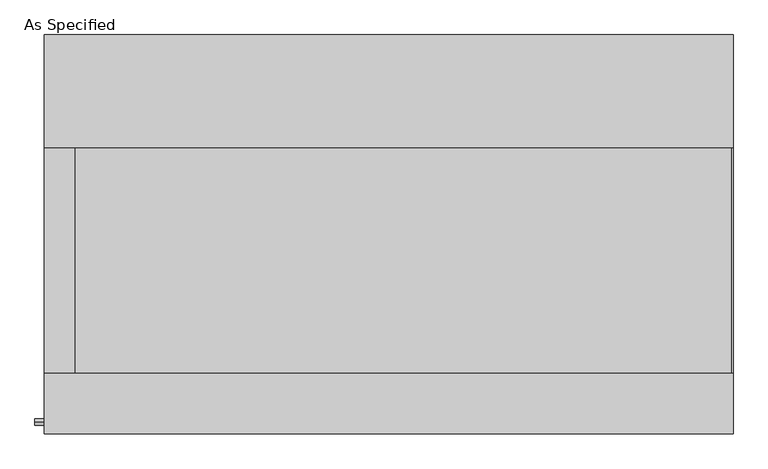
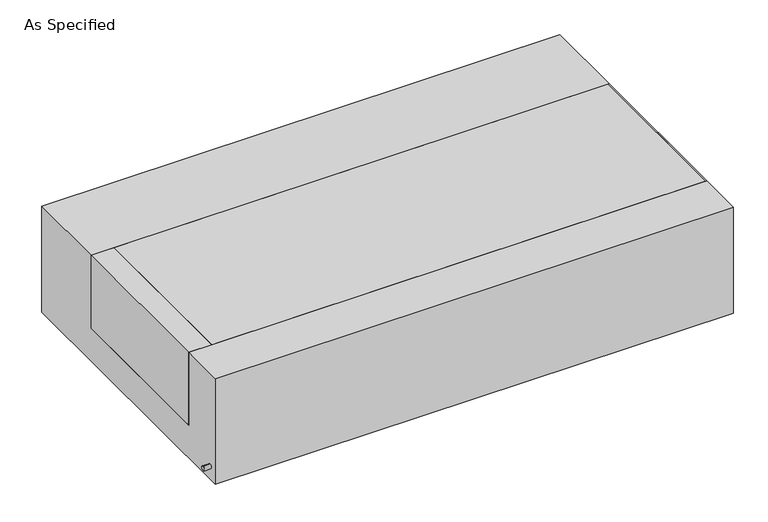
"""IFC4 building model written with IfcOpenShell, lengths in millimetres: proxy geometry, As Specified."""

from ifc_helpers import new_model, si_unit, point, frame, frame_2d, origin, place, context, project, spatial, polyline, circle_curve, trimmed, segment, composite_curve, outline, extrude, source, transform, mapped, element, save


def as_specified_1839fbb6(model_context):
    return source(origin(), model_context, "Body", "SweptSolid", [
        extrude(outline(composite_curve([segment(trimmed(circle_curve(frame_2d((-636.5875, -466.725)), 10.5), [point((-636.5875, -456.225))], [point((-636.5875, -477.225))], False, "CARTESIAN"), True, "CONTINUOUS"), segment(trimmed(circle_curve(frame_2d((-636.5875, -466.725)), 10.5), [point((-636.5875, -477.225))], [point((-636.5875, -456.225))], False, "CARTESIAN"), True, "CONTINUOUS")], self_intersect=False)), frame((-1198.6528384, 0.0, 0.0), z_axis=(1.0, 0.0, 0.0), x_axis=(0.0, 1.0, 0.0)), (0.0, 0.0, 1.0), 31.8403384),
        extrude(outline(polyline([(-1064.41875, 292.1), (-1064.41875, -469.9), (-1166.8125, -469.9), (-1166.8125, 292.1), (-1064.41875, 292.1)])), frame((0.0, 0.0, -373.0625), z_axis=(0.0, 0.0, 1.0), x_axis=(1.0, 0.0, 0.0)), (0.0, 0.0, 1.0), 347.6625),
        extrude(outline(polyline([(1162.84375, 292.1), (1166.8125, 292.1), (1166.8125, -469.9), (1162.84375, -469.9), (1162.84375, 292.1)])), frame((0.0, 0.0, -39.6875), z_axis=(0.0, 0.0, 1.0), x_axis=(1.0, 0.0, 0.0)), (0.0, 0.0, 1.0), 14.2875),
        extrude(outline(polyline([(1166.8125, 292.1), (1166.8125, -469.9), (-1064.41875, -469.9), (-1064.41875, 292.1), (1166.8125, 292.1)])), frame((0.0, 0.0, -373.0625), z_axis=(0.0, 0.0, 1.0), x_axis=(1.0, 0.0, 0.0)), (0.0, 0.0, 1.0), 347.6625),
        extrude(outline(polyline([(676.275, -25.4), (676.275, -530.225), (-676.275, -530.225), (-676.275, -25.4), (-469.9, -25.4), (-469.9, -373.0625), (292.1, -373.0625), (292.1, -25.4), (676.275, -25.4)])), frame((-1166.8125, 0.0, 0.0), z_axis=(1.0, 0.0, 0.0), x_axis=(0.0, 1.0, 0.0)), (0.0, 0.0, 1.0), 2333.625),
    ])


if __name__ == "__main__":
    model = new_model("IFC4")
    model_context = context("Model", 3, world=origin())
    ifc_project = project(units=[si_unit("LENGTHUNIT", "METRE", prefix="MILLI")], contexts=[model_context])
    site = spatial("IfcSite", under=ifc_project)
    building = spatial("IfcBuilding", under=site)
    placement = place(None, origin())
    as_specified_shape = as_specified_1839fbb6(model_context)
    element("IfcBuildingElementProxy", 1, Name="As Specified", ObjectType="As Specified", at=placement, inside=building, context=model_context, shape_type="MappedRepresentation", body=[
        mapped(as_specified_shape, transform((0.0, 0.0, 0.0), x_axis=(1.0, 0.0, 0.0), y_axis=(0.0, 1.0, 0.0), z_axis=(0.0, 0.0, 1.0))),
    ])
    save(model, "model.ifc")
